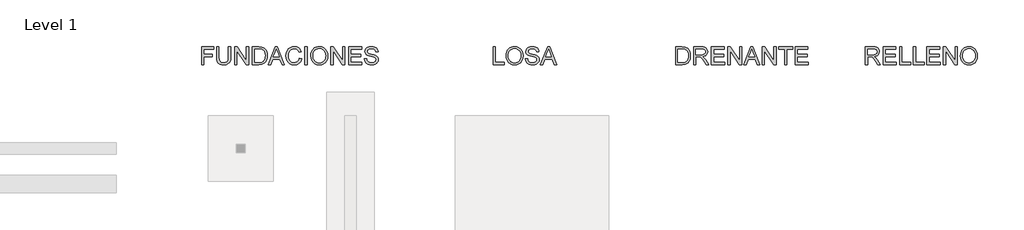
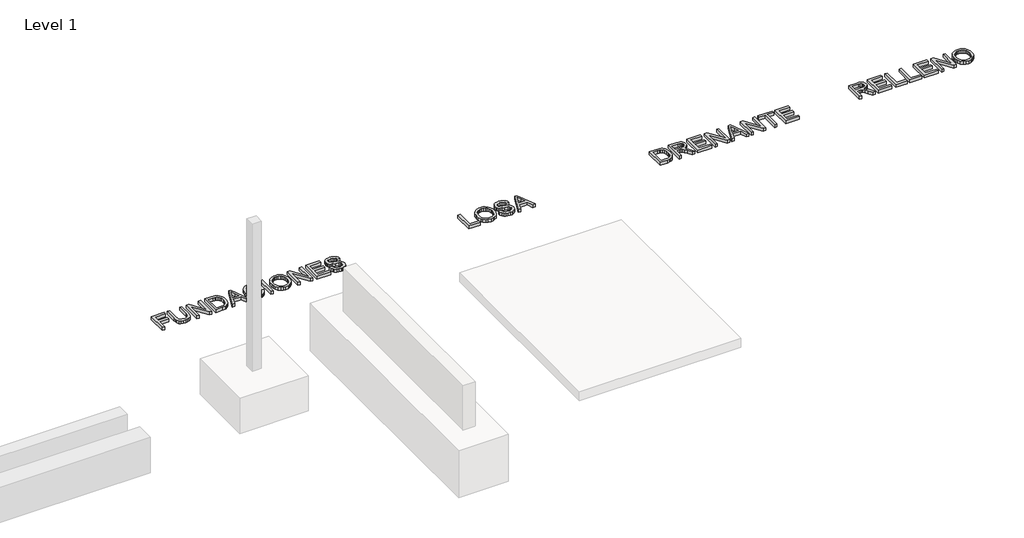
# One storey, part 2 of 2: 4 proxies.
"""IFC4 building model written with IfcOpenShell, lengths in millimetres."""

from ifc_helpers import new_model, si_unit, origin, origin_with_axes, place, context, project, spatial, polyline, outline, extrude, element, save

model = new_model("IFC4")

# Units and contexts
model_context = context("Model", 3, world=origin())
ifc_project = project(units=[si_unit("LENGTHUNIT", "METRE", prefix="MILLI")], contexts=[model_context])

# Site, building, storey
site = spatial("IfcSite", under=ifc_project)
building = spatial("IfcBuilding", under=site)
storey = spatial("IfcBuildingStorey", under=building, Name="Level 1", Elevation=0.0)

# Proxies
placement = place(None, origin())
element("IfcBuildingElementProxy", 1, Name="Generic Models", at=placement, inside=storey, context=model_context, shape_type="SweptSolid", body=[
    extrude(outline(polyline([(11545.7178167, 4943.9931302), (11545.7178167, 5245.3620607), (11748.2000669, 5245.3620607), (11748.2000669, 5207.6909443), (11583.388933, 5207.6909443), (11583.388933, 5118.2220431), (11724.6556192, 5118.2220431), (11724.6556192, 5080.5509268), (11583.388933, 5080.5509268), (11583.388933, 4943.9931302), (11545.7178167, 4943.9931302)])), origin_with_axes(), (0.0, 0.0, 1.0), 50.0),
    extrude(outline(polyline([(11997.7712124, 5245.3620607), (12035.4423287, 5245.3620607), (12035.4423287, 5071.5010297), (12032.8855488, 5030.7856899), (12025.2152092, 4999.4329469), (12010.8862055, 4975.2447057), (11988.3534333, 4956.0228714), (11957.5617103, 4943.4688984), (11918.4558542, 4939.2842407), (11880.2053238, 4942.9262724), (11849.6251329, 4953.8523677), (11826.7060846, 4971.6854474), (11811.4389818, 4996.0484325), (11802.8581343, 5028.7255507), (11799.9978518, 5071.5010297), (11799.9978518, 5245.3620607), (11837.6689681, 5245.3620607), (11837.6689681, 5072.8254049), (11839.5267722, 5038.9710643), (11845.1001844, 5015.3990255), (11855.1985452, 4999.0742619), (11870.6311949, 4986.9617472), (11890.75434, 4979.4569545), (11914.9241871, 4976.955357), (11953.2390969, 4981.9033698), (11967.5818962, 4988.0883858), (11978.714925, 4996.7474083), (11987.0520508, 5008.9243024), (11993.0071406, 5025.6629331), (11997.7712124, 5072.8254049), (11997.7712124, 5245.3620607)])), origin_with_axes(), (0.0, 0.0, 1.0), 50.0),
    extrude(outline(polyline([(12101.3667822, 4943.9931302), (12101.3667822, 5245.3620607), (12141.6866489, 5245.3620607), (12299.1401428, 5006.6066458), (12299.1401428, 5245.3620607), (12336.8112591, 5245.3620607), (12336.8112591, 4943.9931302), (12296.4913925, 4943.9931302), (12139.0378985, 5182.8221215), (12139.0378985, 4943.9931302), (12101.3667822, 4943.9931302)])), origin_with_axes(), (0.0, 0.0, 1.0), 50.0),
    extrude(outline(polyline([(12402.7357127, 4943.9931302), (12402.7357127, 5245.3620607), (12506.6991645, 5245.3620607), (12560.4835122, 5241.0210531), (12584.5062065, 5232.6517377), (12604.7765044, 5219.4631682), (12625.6170195, 5196.5073317), (12640.461058, 5167.9596889), (12649.3454081, 5134.3720627), (12652.3068582, 5096.2962762), (12650.3019013, 5063.9502518), (12644.2870307, 5035.4853824), (12635.126769, 5011.251156), (12623.685639, 4991.5970604), (12610.5154636, 4976.0816372), (12596.1680657, 4964.2634281), (12579.6961494, 4955.4986396), (12560.1524184, 4949.1434781), (12511.7023597, 4943.9931302), (12402.7357127, 4943.9931302)]), holes=[polyline([(12440.406829, 4981.6642465), (12507.0670465, 4981.6642465), (12534.6398021, 4983.0254099), (12555.5538935, 4987.1089), (12571.3360311, 4993.6755937), (12583.5129251, 5002.4863674), (12596.6003271, 5018.7927369), (12606.4319734, 5039.8999663), (12612.5847998, 5065.9000264), (12614.6357419, 5096.8848874), (12610.6166311, 5137.9405181), (12598.5592987, 5168.2539945), (12580.7446131, 5189.0761154), (12559.4534426, 5201.6576796), (12537.7851931, 5206.1826282), (12506.0369769, 5207.6909443), (12440.406829, 5207.6909443), (12440.406829, 4981.6642465)])]), origin_with_axes(), (0.0, 0.0, 1.0), 50.0),
    extrude(outline(polyline([(12669.0087008, 4943.9931302), (12789.3061132, 5245.3620607), (12821.3854232, 5245.3620607), (12941.6828356, 4943.9931302), (12901.8780037, 4943.9931302), (12867.3706726, 5038.170921), (12743.2472874, 5038.170921), (12708.8135327, 4943.9931302), (12669.0087008, 4943.9931302)]), holes=[polyline([(12757.0796504, 5075.8420373), (12853.611886, 5075.8420373), (12826.4621947, 5149.9334711), (12805.3457682, 5207.6909443), (12786.5837864, 5156.4081942), (12757.0796504, 5075.8420373)])]), origin_with_axes(), (0.0, 0.0, 1.0), 50.0),
    extrude(outline(polyline([(13193.8291551, 5051.1203672), (13231.5002714, 5041.4082825), (13224.0460625, 5017.9810972), (13214.1178471, 4997.5107635), (13201.7156254, 4979.9972812), (13186.8393972, 4965.4406505), (13169.8248549, 4953.9972212), (13151.0076909, 4945.8233431), (13130.387905, 4940.9190163), (13107.9654974, 4939.2842407), (13064.2703135, 4944.2322535), (13029.5698443, 4959.076292), (13002.971976, 4983.3013214), (12983.5845949, 5016.3923069), (12971.7479917, 5055.2958278), (12967.8024573, 5096.9584638), (12972.2630265, 5140.9019681), (12985.644734, 5178.8489959), (13007.2486042, 5209.5947337), (13036.3756612, 5231.9343678), (13070.9197805, 5245.5368046), (13108.7748378, 5250.0709502), (13150.0787888, 5244.2032324), (13168.047525, 5236.8685851), (13184.227435, 5226.6000789), (13198.3518044, 5213.6690268), (13210.1539186, 5198.3467417), (13226.7913819, 5160.5284726), (13189.1202656, 5151.5521519), (13176.0604547, 5179.0237399), (13158.218178, 5197.8684951), (13135.3727061, 5208.7669992), (13107.3033098, 5212.3998339), (13074.9480884, 5208.371526), (13048.3686142, 5196.2866025), (13028.1994838, 5177.4142561), (13015.0752937, 5153.0236799), (13007.8740036, 5125.4509243), (13005.4735736, 5097.0320402), (13008.315462, 5062.2304035), (13016.8411272, 5032.1376562), (13031.372466, 5007.9034298), (13052.2313752, 4990.6773554), (13077.2381538, 4980.3858566), (13104.2131011, 4976.955357), (13135.6578146, 4981.6274583), (13161.8602097, 4995.6437623), (13181.643064, 5018.8571162), (13193.8291551, 5051.1203672)])), origin_with_axes(), (0.0, 0.0, 1.0), 50.0),
    extrude(outline(polyline([(13288.0069459, 4943.9931302), (13288.0069459, 5245.3620607), (13325.6780622, 5245.3620607), (13325.6780622, 4943.9931302), (13288.0069459, 4943.9931302)])), origin_with_axes(), (0.0, 0.0, 1.0), 50.0),
    extrude(outline(polyline([(13386.8936262, 5090.7044699), (13389.4044208, 5126.0533311), (13396.9368046, 5157.3462933), (13409.4907777, 5184.5833565), (13427.0663401, 5207.7645207), (13448.6104294, 5226.2735836), (13473.0699835, 5239.4943428), (13500.4450025, 5247.4267983), (13530.7354863, 5250.0709502), (13570.2644067, 5245.1045433), (13605.7098369, 5230.2053225), (13635.1403965, 5206.4217515), (13656.624705, 5174.802294), (13669.7580923, 5136.8736603), (13674.135888, 5094.1625606), (13669.528166, 5050.8812439), (13655.7050001, 5012.4191813), (13633.4297452, 4980.7445415), (13603.4657567, 4957.8254932), (13568.3238291, 4943.9195538), (13530.5147571, 4939.2842407), (13490.3788314, 4944.4069974), (13454.7310661, 4959.7752678), (13425.3740829, 4984.0002972), (13404.1105036, 5015.6933311), (13391.1978455, 5052.1596338), (13386.8936262, 5090.7044699)]), holes=[polyline([(13424.5647425, 5090.3365879), (13426.4478384, 5065.3619989), (13432.0971263, 5043.1925102), (13441.5126061, 5023.8281217), (13454.6942779, 5007.2688334), (13470.717838, 4994.0066874), (13488.6589831, 4984.5337261), (13508.517713, 4978.8499492), (13530.2940279, 4976.955357), (13552.4428233, 4978.8683433), (13572.536078, 4984.6073025), (13590.5737921, 4994.1722343), (13606.5559655, 5007.563139), (13619.6410682, 5024.4719152), (13628.9875702, 5044.5904618), (13634.5954713, 5067.9187788), (13636.4647717, 5094.4568662), (13633.2641983, 5127.8053691), (13623.6624783, 5156.6289234), (13607.9079318, 5180.2009623), (13586.2488794, 5197.7949187), (13560.1200607, 5208.7486051), (13530.9562155, 5212.3998339), (13509.936358, 5210.6408981), (13490.4340137, 5205.3640907), (13472.4491827, 5196.5694118), (13455.9818649, 5184.2568613), (13442.2368738, 5167.8332294), (13432.4190231, 5146.7053066), (13426.5283126, 5120.8730927), (13424.5647425, 5090.3365879)])]), origin_with_axes(), (0.0, 0.0, 1.0), 50.0),
    extrude(outline(polyline([(13725.9336729, 4943.9931302), (13725.9336729, 5245.3620607), (13766.2535396, 5245.3620607), (13923.7070335, 5006.6066458), (13923.7070335, 5245.3620607), (13961.3781498, 5245.3620607), (13961.3781498, 4943.9931302), (13921.0582832, 4943.9931302), (13763.6047892, 5182.8221215), (13763.6047892, 4943.9931302), (13725.9336729, 4943.9931302)])), origin_with_axes(), (0.0, 0.0, 1.0), 50.0),
    extrude(outline(polyline([(14027.3026034, 4943.9931302), (14027.3026034, 5245.3620607), (14243.9115221, 5245.3620607), (14243.9115221, 5207.6909443), (14064.9737197, 5207.6909443), (14064.9737197, 5118.2220431), (14234.4937431, 5118.2220431), (14234.4937431, 5080.5509268), (14064.9737197, 5080.5509268), (14064.9737197, 4981.6642465), (14248.6204117, 4981.6642465), (14248.6204117, 4943.9931302), (14027.3026034, 4943.9931302)])), origin_with_axes(), (0.0, 0.0, 1.0), 50.0),
    extrude(outline(polyline([(14291.0004175, 5047.5887), (14328.6715338, 5047.5887), (14332.9941473, 5026.6838057), (14340.8116397, 5009.8807955), (14353.0069278, 4996.5450732), (14370.4629285, 4986.0420423), (14391.8000842, 4979.2270283), (14415.6388375, 4976.955357), (14436.6265053, 4978.6752053), (14455.002211, 4983.8347503), (14469.8922347, 4992.0017306), (14480.4228568, 5002.7438848), (14486.6860478, 5015.0771287), (14488.7737781, 5028.0173779), (14487.2102797, 5040.6265333), (14482.5197842, 5051.5250374), (14472.9916405, 5060.8232548), (14456.9151973, 5068.6315502), (14402.0639919, 5083.0157362), (14366.0575416, 5092.5346828), (14343.0189316, 5101.5937769), (14324.2661469, 5114.2673117), (14310.9764099, 5129.626385), (14303.0577499, 5147.339903), (14300.4181966, 5167.0767721), (14303.6831493, 5189.1404947), (14313.4780074, 5209.7142953), (14329.5452536, 5227.1519019), (14351.6273703, 5239.8070425), (14378.1332681, 5247.5049733), (14407.4718572, 5250.0709502), (14439.2568616, 5247.3854116), (14467.0687404, 5239.3287959), (14489.9142123, 5226.06665), (14506.7999959, 5207.7645207), (14517.4869679, 5185.5628423), (14521.7360049, 5160.602049), (14484.0648886, 5160.602049), (14477.1487071, 5183.0796389), (14462.7277329, 5199.3032349), (14440.1949607, 5209.1256841), (14408.9433852, 5212.3998339), (14376.9560457, 5209.1624723), (14355.0118847, 5199.4503877), (14342.3199559, 5185.1581721), (14338.0893129, 5168.1804181), (14341.0875512, 5153.7042616), (14350.0822659, 5142.0607964), (14371.3458453, 5131.6497359), (14411.5921355, 5121.0179463), (14453.1260128, 5110.9195855), (14478.2523531, 5102.1088117), (14499.7274645, 5088.4419956), (14514.7094588, 5071.5746061), (14523.5110355, 5051.6905843), (14526.4448944, 5028.9738711), (14523.0695771, 5005.7513201), (14512.9436252, 4983.9083267), (14496.4809059, 4965.1095567), (14474.0952865, 4951.0196763), (14447.1755215, 4942.2180996), (14417.1103655, 4939.2842407), (14380.2026043, 4942.4480258), (14349.8247486, 4951.9393813), (14325.6273103, 4967.7950953), (14307.2608017, 4990.051956), (14295.4701838, 5017.164859), (14291.0004175, 5047.5887)])), origin_with_axes(), (0.0, 0.0, 1.0), 50.0),
])
element("IfcBuildingElementProxy", 2, Name="Generic Models", at=placement, inside=storey, context=model_context, shape_type="SweptSolid", body=[
    extrude(outline(polyline([(16466.1178167, 4943.9931302), (16466.1178167, 5245.3620607), (16503.788933, 5245.3620607), (16503.788933, 4981.6642465), (16654.4733982, 4981.6642465), (16654.4733982, 4943.9931302), (16466.1178167, 4943.9931302)])), origin_with_axes(), (0.0, 0.0, 1.0), 50.0),
    extrude(outline(polyline([(16682.7267355, 5090.7044699), (16685.2375301, 5126.0533311), (16692.7699139, 5157.3462933), (16705.323887, 5184.5833565), (16722.8994494, 5207.7645207), (16744.4435387, 5226.2735836), (16768.9030928, 5239.4943428), (16796.2781118, 5247.4267983), (16826.5685956, 5250.0709502), (16866.097516, 5245.1045433), (16901.5429462, 5230.2053225), (16930.9735058, 5206.4217515), (16952.4578143, 5174.802294), (16965.5912016, 5136.8736603), (16969.9689973, 5094.1625606), (16965.3612753, 5050.8812439), (16951.5381094, 5012.4191813), (16929.2628545, 4980.7445415), (16899.298866, 4957.8254932), (16864.1569384, 4943.9195538), (16826.3478664, 4939.2842407), (16786.2119407, 4944.4069974), (16750.5641754, 4959.7752678), (16721.2071922, 4984.0002972), (16699.9436129, 5015.6933311), (16687.0309548, 5052.1596338), (16682.7267355, 5090.7044699)]), holes=[polyline([(16720.3978518, 5090.3365879), (16722.2809477, 5065.3619989), (16727.9302356, 5043.1925102), (16737.3457154, 5023.8281217), (16750.5273872, 5007.2688334), (16766.5509473, 4994.0066874), (16784.4920924, 4984.5337261), (16804.3508223, 4978.8499492), (16826.1271372, 4976.955357), (16848.2759326, 4978.8683433), (16868.3691873, 4984.6073025), (16886.4069014, 4994.1722343), (16902.3890748, 5007.563139), (16915.4741775, 5024.4719152), (16924.8206795, 5044.5904618), (16930.4285806, 5067.9187788), (16932.297881, 5094.4568662), (16929.0973076, 5127.8053691), (16919.4955876, 5156.6289234), (16903.7410411, 5180.2009623), (16882.0819887, 5197.7949187), (16855.95317, 5208.7486051), (16826.7893248, 5212.3998339), (16805.7694673, 5210.6408981), (16786.267123, 5205.3640907), (16768.282292, 5196.5694118), (16751.8149742, 5184.2568613), (16738.0699831, 5167.8332294), (16728.2521324, 5146.7053066), (16722.3614219, 5120.8730927), (16720.3978518, 5090.3365879)])]), origin_with_axes(), (0.0, 0.0, 1.0), 50.0),
    extrude(outline(polyline([(17007.6401136, 5047.5887), (17045.3112299, 5047.5887), (17049.6338434, 5026.6838057), (17057.4513358, 5009.8807955), (17069.6466239, 4996.5450732), (17087.1026246, 4986.0420423), (17108.4397803, 4979.2270283), (17132.2785336, 4976.955357), (17153.2662014, 4978.6752053), (17171.6419071, 4983.8347503), (17186.5319308, 4992.0017306), (17197.0625529, 5002.7438848), (17203.3257439, 5015.0771287), (17205.4134742, 5028.0173779), (17203.8499757, 5040.6265333), (17199.1594803, 5051.5250374), (17189.6313366, 5060.8232548), (17173.5548934, 5068.6315502), (17118.703688, 5083.0157362), (17082.6972377, 5092.5346828), (17059.6586277, 5101.5937769), (17040.905843, 5114.2673117), (17027.616106, 5129.626385), (17019.697446, 5147.339903), (17017.0578927, 5167.0767721), (17020.3228454, 5189.1404947), (17030.1177035, 5209.7142953), (17046.1849497, 5227.1519019), (17068.2670664, 5239.8070425), (17094.7729642, 5247.5049733), (17124.1115533, 5250.0709502), (17155.8965577, 5247.3854116), (17183.7084365, 5239.3287959), (17206.5539084, 5226.06665), (17223.439692, 5207.7645207), (17234.1266639, 5185.5628423), (17238.375701, 5160.602049), (17200.7045847, 5160.602049), (17193.7884032, 5183.0796389), (17179.367429, 5199.3032349), (17156.8346568, 5209.1256841), (17125.5830813, 5212.3998339), (17093.5957418, 5209.1624723), (17071.6515808, 5199.4503877), (17058.9596519, 5185.1581721), (17054.729009, 5168.1804181), (17057.7272473, 5153.7042616), (17066.721962, 5142.0607964), (17087.9855414, 5131.6497359), (17128.2318316, 5121.0179463), (17169.7657089, 5110.9195855), (17194.8920492, 5102.1088117), (17216.3671606, 5088.4419956), (17231.3491549, 5071.5746061), (17240.1507316, 5051.6905843), (17243.0845905, 5028.9738711), (17239.7092732, 5005.7513201), (17229.5833213, 4983.9083267), (17213.120602, 4965.1095567), (17190.7349826, 4951.0196763), (17163.8152176, 4942.2180996), (17133.7500616, 4939.2842407), (17096.8423004, 4942.4480258), (17066.4644446, 4951.9393813), (17042.2670064, 4967.7950953), (17023.9004978, 4990.051956), (17012.1098799, 5017.164859), (17007.6401136, 5047.5887)])), origin_with_axes(), (0.0, 0.0, 1.0), 50.0),
    extrude(outline(polyline([(17264.4953226, 4943.9931302), (17384.7927351, 5245.3620607), (17416.8720451, 5245.3620607), (17537.1694575, 4943.9931302), (17497.3646256, 4943.9931302), (17462.8572944, 5038.170921), (17338.7339093, 5038.170921), (17304.3001545, 4943.9931302), (17264.4953226, 4943.9931302)]), holes=[polyline([(17352.5662723, 5075.8420373), (17449.0985078, 5075.8420373), (17421.9488166, 5149.9334711), (17400.8323901, 5207.6909443), (17382.0704083, 5156.4081942), (17352.5662723, 5075.8420373)])]), origin_with_axes(), (0.0, 0.0, 1.0), 50.0),
])
element("IfcBuildingElementProxy", 3, Name="Generic Models", at=placement, inside=storey, context=model_context, shape_type="SweptSolid", body=[
    extrude(outline(polyline([(19546.9178167, 4943.9931302), (19546.9178167, 5245.3620607), (19650.8812686, 5245.3620607), (19704.6656162, 5241.0210531), (19728.6883105, 5232.6517377), (19748.9586085, 5219.4631682), (19769.7991235, 5196.5073317), (19784.643162, 5167.9596889), (19793.5275122, 5134.3720627), (19796.4889622, 5096.2962762), (19794.4840054, 5063.9502518), (19788.4691348, 5035.4853824), (19779.3088731, 5011.251156), (19767.867743, 4991.5970604), (19754.6975676, 4976.0816372), (19740.3501698, 4964.2634281), (19723.8782534, 4955.4986396), (19704.3345225, 4949.1434781), (19655.8844637, 4943.9931302), (19546.9178167, 4943.9931302)]), holes=[polyline([(19584.588933, 4981.6642465), (19651.2491505, 4981.6642465), (19678.8219061, 4983.0254099), (19699.7359975, 4987.1089), (19715.5181351, 4993.6755937), (19727.6950291, 5002.4863674), (19740.7824311, 5018.7927369), (19750.6140774, 5039.8999663), (19756.7669038, 5065.9000264), (19758.8178459, 5096.8848874), (19754.7987351, 5137.9405181), (19742.7414027, 5168.2539945), (19724.9267171, 5189.0761154), (19703.6355467, 5201.6576796), (19681.9672971, 5206.1826282), (19650.219081, 5207.6909443), (19584.588933, 5207.6909443), (19584.588933, 4981.6642465)])]), origin_with_axes(), (0.0, 0.0, 1.0), 50.0),
    extrude(outline(polyline([(19848.2867472, 4943.9931302), (19848.2867472, 5245.3620607), (19978.1490915, 5245.3620607), (20013.0518958, 5243.3295126), (20038.4449505, 5237.2318686), (20057.0045971, 5225.9746795), (20071.4071772, 5208.4634965), (20080.6502124, 5186.7492618), (20083.7312241, 5162.8829173), (20078.6268614, 5133.1948403), (20063.3137733, 5108.5835348), (20051.7139942, 5098.554152), (20037.3321074, 5090.538923), (20000.2220112, 5080.5509268), (20021.6327433, 5064.4376954), (20052.1669489, 5025.6629331), (20102.4196294, 4943.9931302), (20058.641672, 4943.9931302), (20019.4254513, 5006.459493), (19991.0985377, 5047.8094292), (19971.1961218, 5067.3439632), (19953.2802686, 5074.5176621), (19931.4280781, 5075.8420373), (19885.9578635, 5075.8420373), (19885.9578635, 4943.9931302), (19848.2867472, 4943.9931302)]), holes=[polyline([(19885.9578635, 5113.5131536), (19970.2764168, 5113.5131536), (19994.4922491, 5114.8467258), (20013.281822, 5118.8474425), (20027.4268847, 5125.7820181), (20037.7091865, 5135.9171671), (20043.9723775, 5148.1768346), (20046.0601078, 5161.4849658), (20042.0777852, 5179.8606714), (20030.1308174, 5194.6679217), (20009.5754109, 5204.4351887), (19979.7677722, 5207.6909443), (19885.9578635, 5207.6909443), (19885.9578635, 5113.5131536)])]), origin_with_axes(), (0.0, 0.0, 1.0), 50.0),
    extrude(outline(polyline([(20149.6556776, 4943.9931302), (20149.6556776, 5245.3620607), (20366.2645964, 5245.3620607), (20366.2645964, 5207.6909443), (20187.3267939, 5207.6909443), (20187.3267939, 5118.2220431), (20356.8468173, 5118.2220431), (20356.8468173, 5080.5509268), (20187.3267939, 5080.5509268), (20187.3267939, 4981.6642465), (20370.9734859, 4981.6642465), (20370.9734859, 4943.9931302), (20149.6556776, 4943.9931302)])), origin_with_axes(), (0.0, 0.0, 1.0), 50.0),
    extrude(outline(polyline([(20427.4801604, 4943.9931302), (20427.4801604, 5245.3620607), (20467.800027, 5245.3620607), (20625.253521, 5006.6066458), (20625.253521, 5245.3620607), (20662.9246373, 5245.3620607), (20662.9246373, 4943.9931302), (20622.6047706, 4943.9931302), (20465.1512767, 5182.8221215), (20465.1512767, 4943.9931302), (20427.4801604, 4943.9931302)])), origin_with_axes(), (0.0, 0.0, 1.0), 50.0),
    extrude(outline(polyline([(20693.7531485, 4943.9931302), (20814.0505609, 5245.3620607), (20846.1298709, 5245.3620607), (20966.4272833, 4943.9931302), (20926.6224514, 4943.9931302), (20892.1151203, 5038.170921), (20767.9917351, 5038.170921), (20733.5579804, 4943.9931302), (20693.7531485, 4943.9931302)]), holes=[polyline([(20781.8240981, 5075.8420373), (20878.3563337, 5075.8420373), (20851.2066424, 5149.9334711), (20830.0902159, 5207.6909443), (20811.3282341, 5156.4081942), (20781.8240981, 5075.8420373)])]), origin_with_axes(), (0.0, 0.0, 1.0), 50.0),
    extrude(outline(polyline([(21006.6735736, 4943.9931302), (21006.6735736, 5245.3620607), (21046.9934403, 5245.3620607), (21204.4469342, 5006.6066458), (21204.4469342, 5245.3620607), (21242.1180505, 5245.3620607), (21242.1180505, 4943.9931302), (21201.7981838, 4943.9931302), (21044.3446899, 5182.8221215), (21044.3446899, 4943.9931302), (21006.6735736, 4943.9931302)])), origin_with_axes(), (0.0, 0.0, 1.0), 50.0),
    extrude(outline(polyline([(21383.3847366, 4943.9931302), (21383.3847366, 5207.6909443), (21284.4980563, 5207.6909443), (21284.4980563, 5245.3620607), (21519.9425332, 5245.3620607), (21519.9425332, 5207.6909443), (21421.0558529, 5207.6909443), (21421.0558529, 4943.9931302), (21383.3847366, 4943.9931302)])), origin_with_axes(), (0.0, 0.0, 1.0), 50.0),
    extrude(outline(polyline([(21562.3225391, 4943.9931302), (21562.3225391, 5245.3620607), (21778.9314579, 5245.3620607), (21778.9314579, 5207.6909443), (21599.9936554, 5207.6909443), (21599.9936554, 5118.2220431), (21769.5136788, 5118.2220431), (21769.5136788, 5080.5509268), (21599.9936554, 5080.5509268), (21599.9936554, 4981.6642465), (21783.6403474, 4981.6642465), (21783.6403474, 4943.9931302), (21562.3225391, 4943.9931302)])), origin_with_axes(), (0.0, 0.0, 1.0), 50.0),
])
element("IfcBuildingElementProxy", 4, Name="Generic Models", at=placement, inside=storey, context=model_context, shape_type="SweptSolid", body=[
    extrude(outline(polyline([(22747.3178167, 4943.9931302), (22747.3178167, 5245.3620607), (22877.180161, 5245.3620607), (22912.0829653, 5243.3295126), (22937.47602, 5237.2318686), (22956.0356667, 5225.9746795), (22970.4382468, 5208.4634965), (22979.6812819, 5186.7492618), (22982.7622936, 5162.8829173), (22977.6579309, 5133.1948403), (22962.3448429, 5108.5835348), (22950.7450637, 5098.554152), (22936.363177, 5090.538923), (22899.2530807, 5080.5509268), (22920.6638128, 5064.4376954), (22951.1980184, 5025.6629331), (23001.450699, 4943.9931302), (22957.6727416, 4943.9931302), (22918.4565209, 5006.459493), (22890.1296072, 5047.8094292), (22870.2271913, 5067.3439632), (22852.3113381, 5074.5176621), (22830.4591476, 5075.8420373), (22784.988933, 5075.8420373), (22784.988933, 4943.9931302), (22747.3178167, 4943.9931302)]), holes=[polyline([(22784.988933, 5113.5131536), (22869.3074863, 5113.5131536), (22893.5233187, 5114.8467258), (22912.3128916, 5118.8474425), (22926.4579543, 5125.7820181), (22936.740256, 5135.9171671), (22943.003447, 5148.1768346), (22945.0911773, 5161.4849658), (22941.1088547, 5179.8606714), (22929.1618869, 5194.6679217), (22908.6064805, 5204.4351887), (22878.7988418, 5207.6909443), (22784.988933, 5207.6909443), (22784.988933, 5113.5131536)])]), origin_with_axes(), (0.0, 0.0, 1.0), 50.0),
    extrude(outline(polyline([(23048.6867472, 4943.9931302), (23048.6867472, 5245.3620607), (23265.2956659, 5245.3620607), (23265.2956659, 5207.6909443), (23086.3578635, 5207.6909443), (23086.3578635, 5118.2220431), (23255.8778868, 5118.2220431), (23255.8778868, 5080.5509268), (23086.3578635, 5080.5509268), (23086.3578635, 4981.6642465), (23270.0045555, 4981.6642465), (23270.0045555, 4943.9931302), (23048.6867472, 4943.9931302)])), origin_with_axes(), (0.0, 0.0, 1.0), 50.0),
    extrude(outline(polyline([(23326.5112299, 4943.9931302), (23326.5112299, 5245.3620607), (23364.1823462, 5245.3620607), (23364.1823462, 4981.6642465), (23514.8668115, 4981.6642465), (23514.8668115, 4943.9931302), (23326.5112299, 4943.9931302)])), origin_with_axes(), (0.0, 0.0, 1.0), 50.0),
    extrude(outline(polyline([(23557.2468173, 4943.9931302), (23557.2468173, 5245.3620607), (23594.9179336, 5245.3620607), (23594.9179336, 4981.6642465), (23745.6023988, 4981.6642465), (23745.6023988, 4943.9931302), (23557.2468173, 4943.9931302)])), origin_with_axes(), (0.0, 0.0, 1.0), 50.0),
    extrude(outline(polyline([(23787.9824047, 4943.9931302), (23787.9824047, 5245.3620607), (24004.5913234, 5245.3620607), (24004.5913234, 5207.6909443), (23825.653521, 5207.6909443), (23825.653521, 5118.2220431), (23995.1735444, 5118.2220431), (23995.1735444, 5080.5509268), (23825.653521, 5080.5509268), (23825.653521, 4981.6642465), (24009.300213, 4981.6642465), (24009.300213, 4943.9931302), (23787.9824047, 4943.9931302)])), origin_with_axes(), (0.0, 0.0, 1.0), 50.0),
    extrude(outline(polyline([(24065.8068874, 4943.9931302), (24065.8068874, 5245.3620607), (24106.1267541, 5245.3620607), (24263.580248, 5006.6066458), (24263.580248, 5245.3620607), (24301.2513643, 5245.3620607), (24301.2513643, 4943.9931302), (24260.9314977, 4943.9931302), (24103.4780037, 5182.8221215), (24103.4780037, 4943.9931302), (24065.8068874, 4943.9931302)])), origin_with_axes(), (0.0, 0.0, 1.0), 50.0),
    extrude(outline(polyline([(24353.0491493, 5090.7044699), (24355.5599439, 5126.0533311), (24363.0923277, 5157.3462933), (24375.6463008, 5184.5833565), (24393.2218631, 5207.7645207), (24414.7659525, 5226.2735836), (24439.2255066, 5239.4943428), (24466.6005256, 5247.4267983), (24496.8910094, 5250.0709502), (24536.4199298, 5245.1045433), (24571.86536, 5230.2053225), (24601.2959196, 5206.4217515), (24622.7802281, 5174.802294), (24635.9136154, 5136.8736603), (24640.2914111, 5094.1625606), (24635.6836891, 5050.8812439), (24621.8605231, 5012.4191813), (24599.5852683, 4980.7445415), (24569.6212798, 4957.8254932), (24534.4793522, 4943.9195538), (24496.6702802, 4939.2842407), (24456.5343545, 4944.4069974), (24420.8865892, 4959.7752678), (24391.529606, 4984.0002972), (24370.2660266, 5015.6933311), (24357.3533686, 5052.1596338), (24353.0491493, 5090.7044699)]), holes=[polyline([(24390.7202656, 5090.3365879), (24392.6033615, 5065.3619989), (24398.2526494, 5043.1925102), (24407.6681292, 5023.8281217), (24420.849801, 5007.2688334), (24436.8733611, 4994.0066874), (24454.8145062, 4984.5337261), (24474.6732361, 4978.8499492), (24496.449551, 4976.955357), (24518.5983464, 4978.8683433), (24538.6916011, 4984.6073025), (24556.7293152, 4994.1722343), (24572.7114886, 5007.563139), (24585.7965913, 5024.4719152), (24595.1430932, 5044.5904618), (24600.7509944, 5067.9187788), (24602.6202948, 5094.4568662), (24599.4197214, 5127.8053691), (24589.8180014, 5156.6289234), (24574.0634549, 5180.2009623), (24552.4044025, 5197.7949187), (24526.2755837, 5208.7486051), (24497.1117386, 5212.3998339), (24476.0918811, 5210.6408981), (24456.5895368, 5205.3640907), (24438.6047058, 5196.5694118), (24422.137388, 5184.2568613), (24408.3923969, 5167.8332294), (24398.5745462, 5146.7053066), (24392.6838357, 5120.8730927), (24390.7202656, 5090.3365879)])]), origin_with_axes(), (0.0, 0.0, 1.0), 50.0),
])

save(model, "model.ifc")
